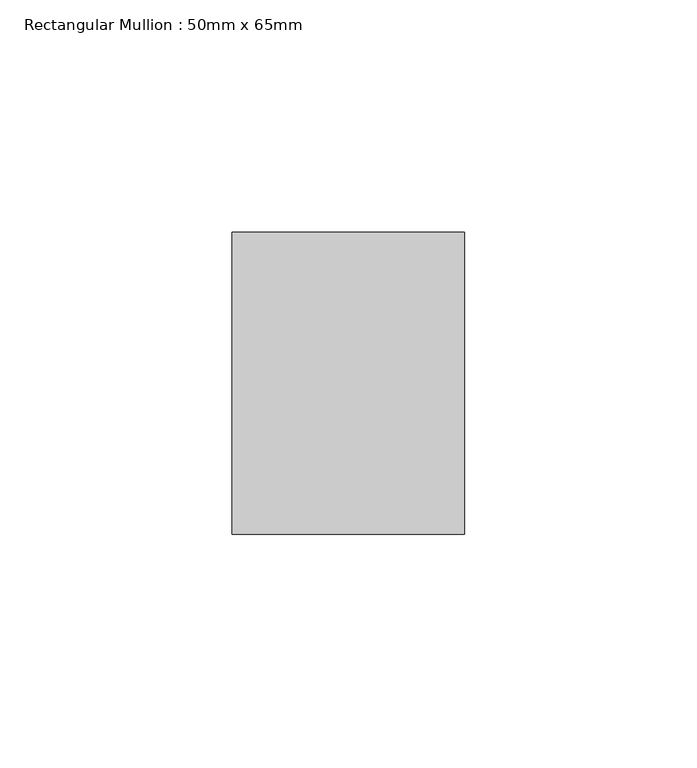
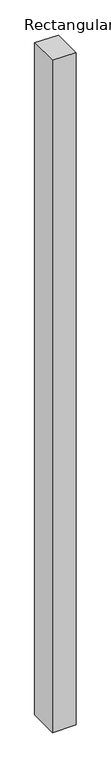
"""IFC4 building model written with IfcOpenShell, lengths in millimetres: member geometry, Rectangular Mullion : 50mm x 65mm."""

from ifc_helpers import new_model, si_unit, origin, place, context, project, spatial, faceted_brep, source, transform, mapped, element, save


def rectangular_mullion_50mm_x_65mm_dbdf8fbe(model_context):
    return source(origin(), model_context, "Body", "Brep", [
        faceted_brep([(-25.0, 32.5, -0.2027393), (25.0, 32.5, -0.2027384), (25.0, 32.5, -1499.8929324), (-25.0, 32.5, -1499.892932), (-25.0, -32.5, 0.2027384), (-25.0, -32.5, -1500.1075947), (25.0, -32.5, 0.2027393), (25.0, -32.5, -1500.1075951)], [[[0, 1, 2, 3]], [[4, 0, 3, 5]], [[6, 4, 5, 7]], [[1, 6, 7, 2]], [[1, 0, 4, 6]], [[2, 7, 5, 3]]]),
    ])


if __name__ == "__main__":
    model = new_model("IFC4")
    model_context = context("Model", 3, world=origin())
    ifc_project = project(units=[si_unit("LENGTHUNIT", "METRE", prefix="MILLI")], contexts=[model_context])
    site = spatial("IfcSite", under=ifc_project)
    building = spatial("IfcBuilding", under=site)
    placement = place(None, origin())
    rectangular_mullion_50mm_x_65mm_shape = rectangular_mullion_50mm_x_65mm_dbdf8fbe(model_context)
    element("IfcMember", 1, ObjectType="Rectangular Mullion : 50mm x 65mm", at=placement, inside=building, context=model_context, shape_type="MappedRepresentation", body=[
        mapped(rectangular_mullion_50mm_x_65mm_shape, transform((0.0, 0.0, 0.0), x_axis=(1.0, 0.0, 0.0), y_axis=(0.0, 1.0, 0.0), z_axis=(0.0, 0.0, 1.0))),
    ])
    save(model, "model.ifc")
